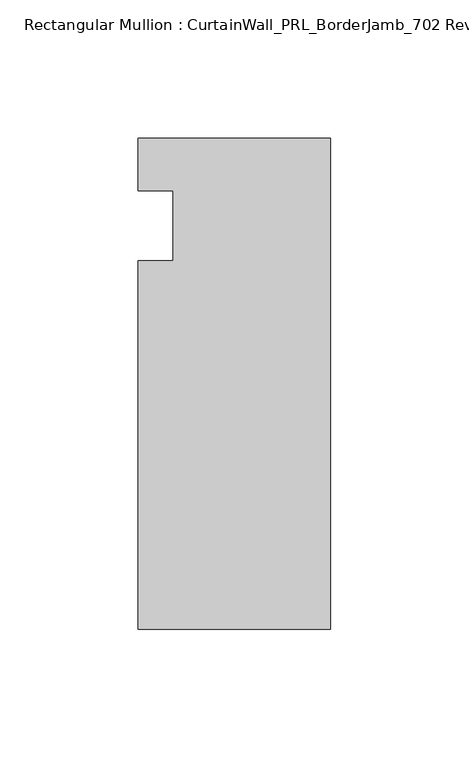
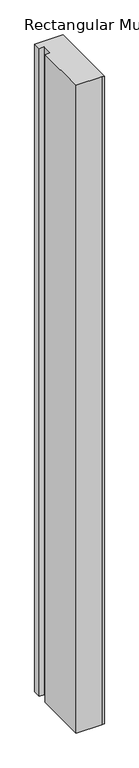
"""IFC4 building model written with IfcOpenShell, lengths in millimetres: member geometry, Rectangular Mullion : CurtainWall_PRL_BorderJamb_702 Reverse."""

from ifc_helpers import new_model, si_unit, frame, origin, place, context, project, spatial, polyline, outline, extrude, source, transform, mapped, element, save


def rectangular_mullion_curtainwall_prl_borderjamb_702_reverse_bb08f7ca(model_context):
    return source(origin(), model_context, "Body", "SweptSolid", [
        extrude(outline(polyline([(-57.15, -12.7), (-57.15, 12.7), (-69.85, 12.7), (-69.85, 31.75), (-7.3958824, 31.75), (0.0, 31.75), (0.0, -146.05), (-6.35, -146.05), (-69.85, -146.05), (-69.85, -12.7), (-57.15, -12.7)])), frame((0.0, 0.0, -1695.45), z_axis=(0.0, 0.0, 1.0), x_axis=(1.0, 0.0, 0.0)), (0.0, 0.0, 1.0), 1695.45),
    ])


if __name__ == "__main__":
    model = new_model("IFC4")
    model_context = context("Model", 3, world=origin())
    ifc_project = project(units=[si_unit("LENGTHUNIT", "METRE", prefix="MILLI")], contexts=[model_context])
    site = spatial("IfcSite", under=ifc_project)
    building = spatial("IfcBuilding", under=site)
    placement = place(None, origin())
    rectangular_mullion_curtainwall_prl_borderjamb_702_reverse_shape = rectangular_mullion_curtainwall_prl_borderjamb_702_reverse_bb08f7ca(model_context)
    element("IfcMember", 1, ObjectType="Rectangular Mullion : CurtainWall_PRL_BorderJamb_702 Reverse", at=placement, inside=building, context=model_context, shape_type="MappedRepresentation", body=[
        mapped(rectangular_mullion_curtainwall_prl_borderjamb_702_reverse_shape, transform((0.0, 0.0, 0.0), x_axis=(1.0, 0.0, 0.0), y_axis=(0.0, 1.0, 0.0), z_axis=(0.0, 0.0, 1.0))),
    ])
    save(model, "model.ifc")
